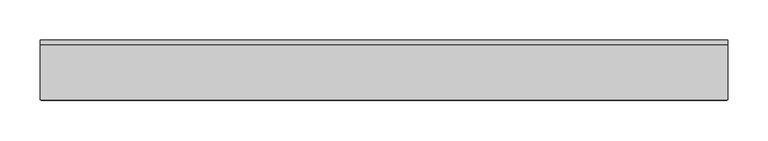
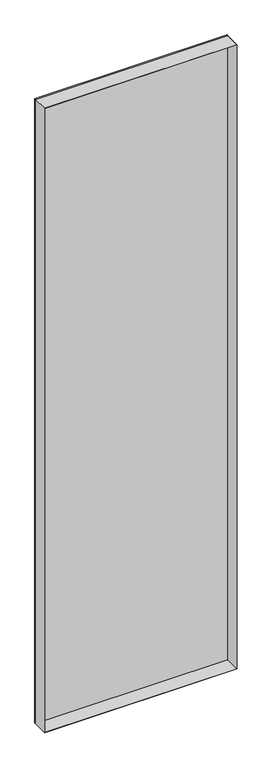
"""IFC4 building model written with IfcOpenShell, lengths in millimetres: plate geometry."""

from ifc_helpers import new_model, si_unit, frame, origin, origin_with_axes, place, context, project, spatial, polyline, outline, extrude, source, transform, mapped, element, save


def plate_9f72817d(model_context):
    return source(origin(), model_context, "Body", "SweptSolid", [
        extrude(outline(polyline([(2915.0, -425.3847577), (0.0, -425.3847577), (0.0, 425.3847577), (2915.0, 425.3847577), (2915.0, -425.3847577)]), holes=[polyline([(2914.0, -424.3847577), (2914.0, 424.3847577), (1.0, 424.3847577), (1.0, -424.3847577), (2914.0, -424.3847577)])]), frame((0.0, -37.2, 0.0), z_axis=(0.0, 1.0, 0.0), x_axis=(0.0, 0.0, 1.0)), (0.0, 0.0, 1.0), 68.4),
        extrude(outline(polyline([(425.3847577, 31.2), (-425.3847577, 31.2), (-425.3847577, 37.2), (425.3847577, 37.2), (425.3847577, 31.2)])), origin_with_axes(), (0.0, 0.0, 1.0), 2915.0),
    ])


if __name__ == "__main__":
    model = new_model("IFC4")
    model_context = context("Model", 3, world=origin())
    ifc_project = project(units=[si_unit("LENGTHUNIT", "METRE", prefix="MILLI")], contexts=[model_context])
    site = spatial("IfcSite", under=ifc_project)
    building = spatial("IfcBuilding", under=site)
    placement = place(None, origin())
    plate_shape = plate_9f72817d(model_context)
    element("IfcPlate", 1, at=placement, inside=building, context=model_context, shape_type="MappedRepresentation", body=[
        mapped(plate_shape, transform((0.0, 0.0, 0.0), x_axis=(1.0, 0.0, 0.0), y_axis=(0.0, 1.0, 0.0), z_axis=(0.0, 0.0, 1.0))),
    ])
    save(model, "model.ifc")
